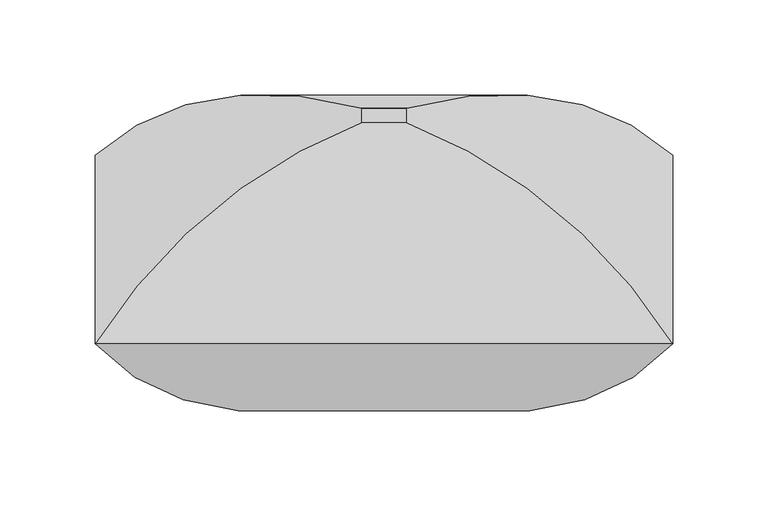
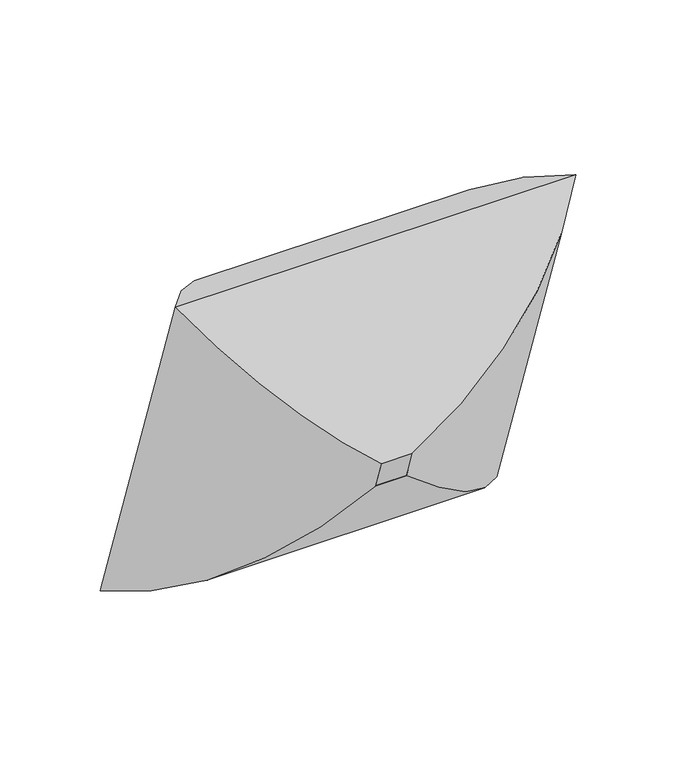
"""IFC4 building model written with IfcOpenShell, lengths in millimetres: furniture geometry."""

from ifc_helpers import new_model, si_unit, frame, origin, place, context, project, spatial, polyline, ellipse_curve, outline, extrude, source, transform, mapped, element, save
from ifc_brep_helpers import plane_surface, cylinder_surface, advanced_brep


def furniture_8bfda8f4(model_context):
    return source(origin(), model_context, "Body", "SolidModel", [
        advanced_brep(
        [(-11.90625, -127.0156513, 561.4940984), (-152.0741804, -99.0210205, 719.3779248), (-152.0741804, 0.0, 431.8), (-11.90625, -119.2630596, 538.9789373), (-11.90625, 17.0813796, 611.1106852), (-11.90625, 24.8339713, 588.5955241), (152.0741804, 0.0, 431.8), (11.90625, -119.2630596, 538.9789373), (11.90625, 24.8339713, 588.5955241), (152.0741804, -99.0210205, 719.3779248), (11.90625, -127.0156513, 561.4940984), (11.90625, 17.0813796, 611.1106852)],
        [
            (0, 1, ellipse_curve(frame((-7.126504, 38.767439, 613.522636), z_axis=(-0.7071067811865477, 0.23021144975504024, -0.6685825965441236), x_axis=(-0.7071067811865474, -0.2302114497550404, 0.6685825965441239)), 245.7274984, 173.7555804)),
            (1, 2),
            (2, 3, ellipse_curve(frame((-7.126504, 43.4077645, 600.0461521), z_axis=(-0.7071067811865471, -0.23021144975504046, 0.6685825965441241), x_axis=(0.7071067811865479, -0.23021144975504018, 0.6685825965441233)), 245.7274984, 173.7555804)),
            (3, 0),
            (4, 0),
            (3, 5),
            (5, 4),
            (1, 4, ellipse_curve(frame((-2.7179464, -156.1281422, 541.752124), z_axis=(-0.7071067811865477, 0.23021144975504024, -0.6685825965441236), x_axis=(-0.7071067811865474, -0.2302114497550404, 0.6685825965441239)), 263.8641638, 186.5801395)),
            (5, 2, ellipse_curve(frame((-2.7179464, -154.3583886, 536.6123863), z_axis=(-0.7071067811865471, -0.23021144975504046, 0.6685825965441241), x_axis=(0.7071067811865479, -0.23021144975504018, 0.6685825965441233)), 263.8641638, 186.5801395)),
            (2, 6),
            (6, 7, ellipse_curve(frame((7.126504, 43.4077645, 600.0461521), z_axis=(-0.7071067811865477, 0.23021144975504015, -0.6685825965441236), x_axis=(-0.7071067811865474, -0.2302114497550404, 0.668582596544124)), 245.7274984, 173.7555804)),
            (7, 3),
            (7, 8),
            (8, 5),
            (8, 6, ellipse_curve(frame((2.7179464, -154.3583886, 536.6123863), z_axis=(-0.7071067811865477, 0.23021144975504015, -0.6685825965441236), x_axis=(-0.7071067811865474, -0.2302114497550404, 0.668582596544124)), 263.8641638, 186.5801395)),
            (6, 9),
            (9, 10, ellipse_curve(frame((7.126504, 38.767439, 613.522636), z_axis=(0.7071067811865474, 0.23021144975504032, -0.6685825965441238), x_axis=(-0.7071067811865475, 0.23021144975504026, -0.6685825965441238)), 245.7274984, 173.7555804)),
            (10, 7),
            (10, 11),
            (11, 8),
            (11, 9, ellipse_curve(frame((2.7179464, -156.1281422, 541.752124), z_axis=(0.7071067811865474, 0.23021144975504032, -0.6685825965441238), x_axis=(-0.7071067811865475, 0.23021144975504026, -0.6685825965441238)), 263.8641638, 186.5801395)),
            (9, 1),
            (0, 10),
            (4, 11),
        ],
        [
            cylinder_surface(frame((-7.126504, 37.2113059, 618.0419746), z_axis=(0.0, -0.32556815445715037, 0.9455185755993191), x_axis=(0.0, -0.9455185755993191, -0.32556815445715037)), 173.7555804),
            plane_surface(frame((-11.90625, -127.0156513, 561.4940984), z_axis=(1.0000000000000002, 0.0, 0.0), x_axis=(0.0, 0.32556815445714976, -0.9455185755993193))),
            cylinder_surface(frame((-2.7179464, -159.1195612, 550.4398357), z_axis=(0.0, -0.32556815445715037, 0.9455185755993191), x_axis=(0.0, -0.9455185755993191, -0.32556815445715037)), 186.5801395),
            cylinder_surface(frame((-11.90625, 43.4077645, 600.0461521), z_axis=(-1.0, 0.0, 0.0), x_axis=(0.0, -0.945518575599319, -0.32556815445715037)), 173.7555804),
            plane_surface(frame((-11.90625, -119.2630596, 538.9789373), z_axis=(0.0, -0.3255681544571499, 0.9455185755993192), x_axis=(1.0, 0.0, 0.0))),
            cylinder_surface(frame((-11.90625, -154.3583886, 536.6123863), z_axis=(-1.0, 0.0, 0.0), x_axis=(0.0, -0.945518575599319, -0.32556815445715037)), 186.5801395),
            cylinder_surface(frame((7.126504, 44.9638976, 595.5268135), z_axis=(0.0, 0.3255681544571503, -0.9455185755993191), x_axis=(0.0, -0.9455185755993191, -0.3255681544571503)), 173.7555804),
            plane_surface(frame((11.90625, -119.2630596, 538.9789373), z_axis=(-1.0000000000000002, 0.0, 0.0), x_axis=(0.0, -0.32556815445715187, 0.9455185755993185))),
            cylinder_surface(frame((2.7179464, -151.3669696, 527.9246746), z_axis=(0.0, 0.3255681544571503, -0.9455185755993191), x_axis=(0.0, -0.9455185755993191, -0.3255681544571503)), 186.5801395),
            cylinder_surface(frame((11.90625, 38.767439, 613.522636), z_axis=(1.0, 0.0, 0.0), x_axis=(0.0, -0.945518575599319, -0.3255681544571503)), 173.7555804),
            plane_surface(frame((11.90625, -127.0156513, 561.4940984), z_axis=(0.0, 0.3255681544571508, -0.945518575599319), x_axis=(-1.0, 0.0, 0.0))),
            cylinder_surface(frame((11.90625, -156.1281422, 541.752124), z_axis=(1.0, 0.0, 0.0), x_axis=(0.0, -0.945518575599319, -0.3255681544571503)), 186.5801395),
        ],
        [
            (0, [[1, 2, 3, 4]]),
            (1, [[5, -4, 6, 7]]),
            (2, [[8, -7, 9, -2]]),
            (3, [[-3, 10, 11, 12]]),
            (4, [[-6, -12, 13, 14]]),
            (5, [[-9, -14, 15, -10]]),
            (6, [[-11, 16, 17, 18]]),
            (7, [[-13, -18, 19, 20]]),
            (8, [[-15, -20, 21, -16]]),
            (9, [[-17, 22, -1, 23]]),
            (10, [[-19, -23, -5, 24]]),
            (11, [[-21, -24, -8, -22]]),
        ],
    ),
        extrude(outline(polyline([(0.0, -23.8125), (0.0, 0.0), (152.4, 0.0), (152.4, -23.8125), (0.0, -23.8125)])), frame((-11.90625, -119.2630596, 538.9789373), z_axis=(0.0, -0.32556815445715037, 0.9455185755993191), x_axis=(0.0, 0.9455185755993191, 0.32556815445715037)), (0.0, 0.0, 1.0), 23.8125),
    ])


if __name__ == "__main__":
    model = new_model("IFC4")
    model_context = context("Model", 3, world=origin())
    ifc_project = project(units=[si_unit("LENGTHUNIT", "METRE", prefix="MILLI")], contexts=[model_context])
    site = spatial("IfcSite", under=ifc_project)
    building = spatial("IfcBuilding", under=site)
    placement = place(None, origin())
    furniture_shape = furniture_8bfda8f4(model_context)
    element("IfcFurniture", 1, at=placement, inside=building, context=model_context, shape_type="MappedRepresentation", body=[
        mapped(furniture_shape, transform((0.0, 0.0, 0.0), x_axis=(1.0, 0.0, 0.0), y_axis=(0.0, 1.0, 0.0), z_axis=(0.0, 0.0, 1.0))),
    ])
    save(model, "model.ifc")
